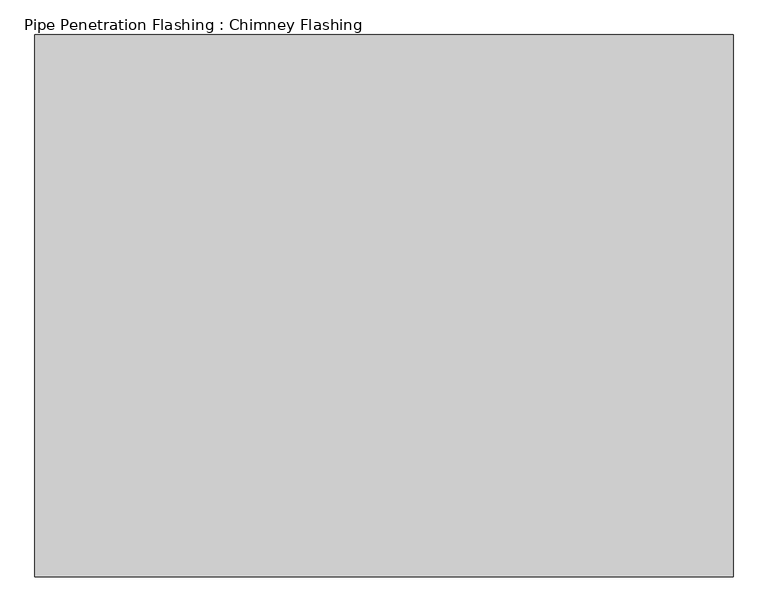
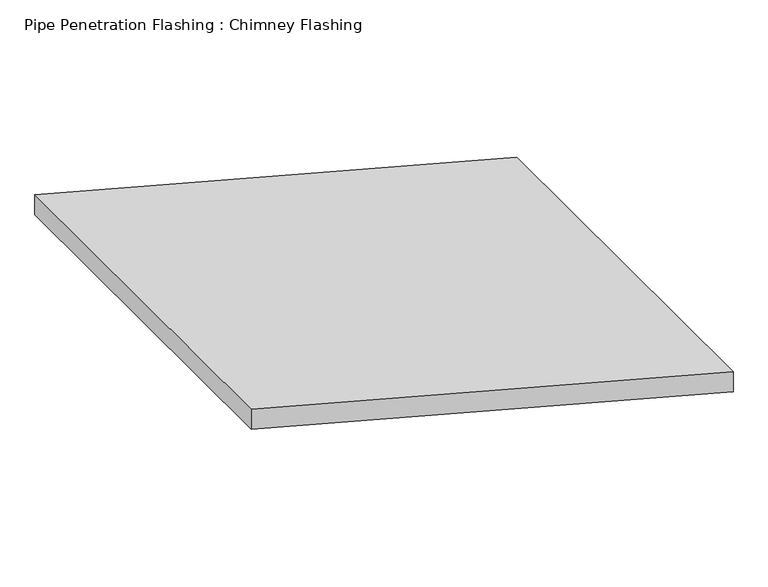
"""IFC4 building model written with IfcOpenShell, lengths in millimetres: proxy geometry, Pipe Penetration Flashing : Chimney Flashing."""

import ifcopenshell
import ifcopenshell.guid

model = None  # the IFC model being written
_history = None  # IfcOwnerHistory: only IFC2X3 demands one
_inside = {}  # id of a spatial element -> (the spatial element, [elements in it])
_under = {}  # id of a project, library or spatial element -> (it, [spatial elements below it])
_declared = {}  # id of a project -> (the project, [libraries it declares])
_typed = {}  # id of a type object -> (the type object, [elements of that type])
_made_of = {}  # id of a material, layer set ... -> (it, [elements and type objects made of it])


def new_model(schema):
    """Start an empty IFC model of exactly this schema.

    Asked for "IFC4X3", IfcOpenShell would pick the latest addendum, in which some entities
    have other attributes; the version numbers below select the first issue.
    IFC2X3 requires an IfcOwnerHistory on every rooted entity: one is made here for all.
    """
    global model, _history
    if schema == "IFC4X3":
        model = ifcopenshell.file(schema_version=(4, 3, 0, 0))
    else:
        model = ifcopenshell.file(schema=schema)
    _inside.clear()
    _under.clear()
    _declared.clear()
    _typed.clear()
    _made_of.clear()
    _history = None
    if model.schema == "IFC2X3":
        org = make("IfcOrganization", Name="unknown")
        user = make(
            "IfcPersonAndOrganization",
            ThePerson=make("IfcPerson", FamilyName="unknown"),
            TheOrganization=org,
        )
        app = make(
            "IfcApplication",
            ApplicationDeveloper=org,
            Version="unknown",
            ApplicationFullName="unknown",
            ApplicationIdentifier="unknown",
        )
        _history = make(
            "IfcOwnerHistory",
            OwningUser=user,
            OwningApplication=app,
            ChangeAction="ADDED",
            CreationDate=0,
        )
    return model


def make(cls, **values):
    """One entity of the class cls with the attributes given. An attribute that is None is left unset."""
    return model.create_entity(
        cls, **{name: value for name, value in values.items() if value is not None}
    )


def rooted(cls, **values):
    """An entity with a GlobalId (a new one), such as an element, a storey or a relation."""
    return make(cls, GlobalId=ifcopenshell.guid.new(), OwnerHistory=_history, **values)


def si_unit(unit_type, name, prefix=None):
    """IfcSIUnit, for example si_unit("LENGTHUNIT", "METRE", prefix="MILLI")."""
    return make("IfcSIUnit", UnitType=unit_type, Prefix=prefix, Name=name)


def assignment(units):
    """IfcUnitAssignment: the units of a project."""
    return None if units is None else make("IfcUnitAssignment", Units=units)


def point(xyz):
    """IfcCartesianPoint."""
    return None if xyz is None else make("IfcCartesianPoint", Coordinates=xyz)


def direction(xyz):
    """IfcDirection."""
    return None if xyz is None else make("IfcDirection", DirectionRatios=xyz)


def frame(location, z_axis=None, x_axis=None):
    """IfcAxis2Placement3D, a coordinate frame: its origin and axes. An axis left out is left unset."""
    return make(
        "IfcAxis2Placement3D",
        Location=point(location),
        Axis=direction(z_axis),
        RefDirection=direction(x_axis),
    )


def origin():
    """The frame at (0, 0, 0) with its axes left unset."""
    return frame((0.0, 0.0, 0.0))


def place(relative_to, where):
    """IfcLocalPlacement: puts the frame where relative to a parent placement (None: the world)."""
    return make(
        "IfcLocalPlacement", PlacementRelTo=relative_to, RelativePlacement=where
    )


def context(
    kind, dimensions, precision=None, world=None, true_north=None, identifier=None
):
    """IfcGeometricRepresentationContext, for example the 3D "Model" context."""
    return make(
        "IfcGeometricRepresentationContext",
        ContextIdentifier=identifier,
        ContextType=kind,
        CoordinateSpaceDimension=dimensions,
        Precision=precision,
        WorldCoordinateSystem=world,
        TrueNorth=true_north,
    )


def project(units=None, contexts=None):
    """IfcProject with its units and contexts."""
    return rooted(
        "IfcProject",
        Name="project",
        RepresentationContexts=contexts,
        UnitsInContext=assignment(units),
    )


def spatial(cls, under=None, at=None, **own):
    """A site, building, storey or space (cls), placed at a placement, below another one or the project."""
    s = rooted(cls, ObjectPlacement=at, **own)
    if under is not None:
        _under.setdefault(under.id(), (under, []))[1].append(s)
    return s


def polyline(points):
    """IfcPolyline through the points."""
    return make("IfcPolyline", Points=[point(p) for p in points])


def outline(outer, holes=None, kind="AREA"):
    """IfcArbitraryClosedProfileDef: a profile drawn as a closed curve; with holes, ...WithVoids."""
    if holes is None:
        return make("IfcArbitraryClosedProfileDef", ProfileType=kind, OuterCurve=outer)
    return make(
        "IfcArbitraryProfileDefWithVoids",
        ProfileType=kind,
        OuterCurve=outer,
        InnerCurves=holes,
    )


def extrude(swept, where, along, depth):
    """IfcExtrudedAreaSolid: the profile swept, set in the frame where, extruded along a direction by depth."""
    return make(
        "IfcExtrudedAreaSolid",
        SweptArea=swept,
        Position=where,
        ExtrudedDirection=direction(along),
        Depth=depth,
    )


def shape(context_of_items, identifier, shape_type, items):
    """IfcShapeRepresentation: the items that make up one representation, for example the "Body"."""
    return make(
        "IfcShapeRepresentation",
        ContextOfItems=context_of_items,
        RepresentationIdentifier=identifier,
        RepresentationType=shape_type,
        Items=items,
    )


def source(mapping_origin, context_of_items, identifier, shape_type, items):
    """IfcRepresentationMap: a shape defined once, which mapped items show again and again."""
    return make(
        "IfcRepresentationMap",
        MappingOrigin=mapping_origin,
        MappedRepresentation=shape(context_of_items, identifier, shape_type, items),
    )


def transform(
    local_origin,
    x_axis=None,
    y_axis=None,
    z_axis=None,
    scale=None,
    scale2=None,
    scale3=None,
    uniform=True,
):
    """IfcCartesianTransformationOperator3D, or its non-uniform kind. x_axis, y_axis, z_axis: its Axis1, 2, 3."""
    if uniform:
        return make(
            "IfcCartesianTransformationOperator3D",
            Axis1=direction(x_axis),
            Axis2=direction(y_axis),
            LocalOrigin=point(local_origin),
            Scale=scale,
            Axis3=direction(z_axis),
        )
    return make(
        "IfcCartesianTransformationOperator3DnonUniform",
        Axis1=direction(x_axis),
        Axis2=direction(y_axis),
        LocalOrigin=point(local_origin),
        Scale=scale,
        Axis3=direction(z_axis),
        Scale2=scale2,
        Scale3=scale3,
    )


def mapped(mapping_source, mapping_target):
    """IfcMappedItem: shows the shape of a source again, moved by a transform."""
    return make(
        "IfcMappedItem", MappingSource=mapping_source, MappingTarget=mapping_target
    )


def made_of(thing, what):
    """Note that an element or type object is made of a material, layer set ...; save() writes the relation."""
    if what is not None:
        _made_of.setdefault(what.id(), (what, []))[1].append(thing)
    return thing


def element(
    cls,
    number,
    at=None,
    inside=None,
    cuts=None,
    type_object=None,
    material=None,
    context=None,
    identifier="Body",
    shape_type=None,
    held_by="IfcProductDefinitionShape",
    body=None,
    shapes=None,
    **own,
):
    """One element of the class cls, such as IfcWall. Its Tag is "e" and its number.

    at: its placement. inside: the storey or other place that contains it. cuts: it is an
    opening in that element (IfcRelVoidsElement). A single representation is given by context,
    identifier, shape_type and body (its items); several are given by shapes. held_by: the class
    of the entity that holds the representations. save() writes the other relations.
    """
    e = rooted(cls, Tag="e%d" % number, ObjectPlacement=at, **own)
    if body is not None:
        shapes = [shape(context, identifier, shape_type, body)]
    if shapes is not None:
        e.Representation = make(held_by, Representations=shapes)
    if inside is not None:
        _inside.setdefault(inside.id(), (inside, []))[1].append(e)
    if cuts is not None:
        rooted(
            "IfcRelVoidsElement", RelatingBuildingElement=cuts, RelatedOpeningElement=e
        )
    if type_object is not None:
        _typed.setdefault(type_object.id(), (type_object, []))[1].append(e)
    return made_of(e, material)


def aggregate(whole, parts):
    """IfcRelAggregates: a whole, such as a stair, and the parts it consists of."""
    return rooted("IfcRelAggregates", RelatingObject=whole, RelatedObjects=parts)


def save(model, path):
    """Write the relations noted so far, then the file.

    IfcRelAggregates (storeys below a building ...), IfcRelContainedInSpatialStructure (elements
    in a storey), IfcRelDefinesByType, IfcRelAssociatesMaterial and IfcRelDeclares: one each for
    every whole, place, type object, material and project.
    """
    for whole, parts in _under.values():
        aggregate(whole, parts)
    for where, things in _inside.values():
        rooted(
            "IfcRelContainedInSpatialStructure",
            RelatedElements=things,
            RelatingStructure=where,
        )
    for kind, things in _typed.values():
        rooted("IfcRelDefinesByType", RelatedObjects=things, RelatingType=kind)
    for what, things in _made_of.values():
        rooted("IfcRelAssociatesMaterial", RelatedObjects=things, RelatingMaterial=what)
    for by, libraries in _declared.values():
        rooted("IfcRelDeclares", RelatingContext=by, RelatedDefinitions=libraries)
    model.write(path)


def pipe_penetration_flashing_chimney_flashing_c8ffacb4(model_context):
    return source(origin(), model_context, "Body", "SweptSolid", [
        extrude(outline(polyline([(5918.6213183, 4682.178133), (5965.2087464, 4682.178133), (6247.9654108, 3626.9158954), (6201.3779827, 3626.9158954), (5918.6213183, 4682.178133)])), frame((0.0, 3314.9919834, 0.0), z_axis=(0.0, 1.0, 0.0), x_axis=(0.0, 0.0, 1.0)), (0.0, 0.0, 1.0), 820.0),
    ])


if __name__ == "__main__":
    model = new_model("IFC4")
    model_context = context("Model", 3, world=origin())
    ifc_project = project(units=[si_unit("LENGTHUNIT", "METRE", prefix="MILLI")], contexts=[model_context])
    site = spatial("IfcSite", under=ifc_project)
    building = spatial("IfcBuilding", under=site)
    placement = place(None, origin())
    pipe_penetration_flashing_chimney_flashing_shape = pipe_penetration_flashing_chimney_flashing_c8ffacb4(model_context)
    element("IfcBuildingElementProxy", 1, Name="Pipe Penetration Flashing : Chimney Flashing", ObjectType="Pipe Penetration Flashing : Chimney Flashing", at=placement, inside=building, context=model_context, shape_type="MappedRepresentation", body=[
        mapped(pipe_penetration_flashing_chimney_flashing_shape, transform((0.0, 0.0, 0.0), x_axis=(1.0, 0.0, 0.0), y_axis=(0.0, 1.0, 0.0), z_axis=(0.0, 0.0, 1.0))),
    ])
    save(model, "model.ifc")
